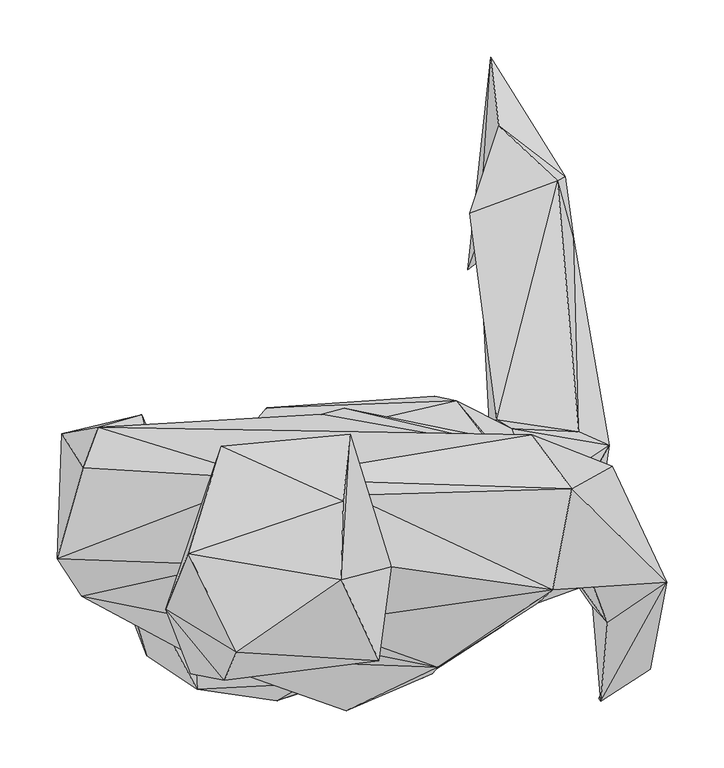
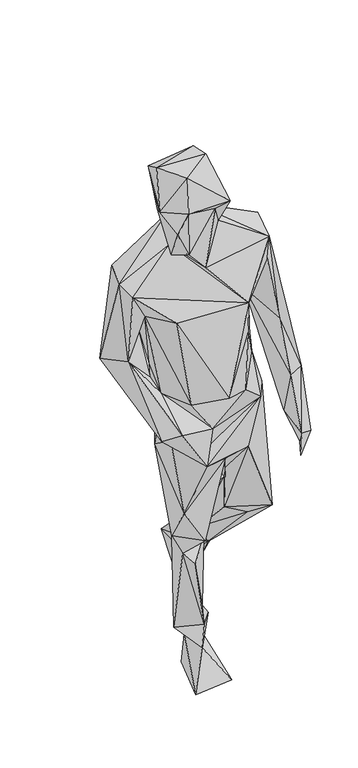
"""IFC4 building model written with IfcOpenShell, lengths in millimetres: geographic element geometry."""

from ifc_helpers import new_model, si_unit, origin, place, context, project, spatial, faceted_brep, source, transform, mapped, element, save


def geographic_element_651b3258(model_context):
    return source(origin(), model_context, "Body", "Brep", [
        faceted_brep([(-175.960198, -58.6650223, 1184.3663454), (-227.312386, -17.3104014, 1246.4934587), (-31.3321277, -5.6027104, 1055.9325218), (146.0312307, -37.4381058, 1270.5545425), (153.0849487, -23.7761401, 1360.5806828), (-79.5859918, -62.2795783, 1470.3985453), (-189.0810132, -6.3162539, 1051.0313511), (-240.3215915, -52.6816249, 1355.5748463), (-259.1258585, -22.7925275, 1047.1886396), (188.0096942, -71.1410642, 1384.2471838), (223.6300707, -51.2884185, 1069.2048073), (-6.1368714, -76.7238438, 1484.8108292), (271.4623809, -152.9165208, 917.2689319), (171.4118272, -159.5646292, 1367.8497076), (216.4826542, -95.459342, 941.1646128), (256.8367422, -229.4550091, 763.5999918), (206.7222744, -174.9068052, 814.1489029), (141.4858699, -81.5900937, 1166.8237448), (213.5846317, -257.4526072, 785.6341004), (211.7230445, -254.691124, 714.6136165), (234.9979132, -209.3223184, 725.6516814), (219.4614112, -188.6086315, 927.0800948), (206.0206831, -154.1612297, 1091.8170214), (158.5830152, -171.005249, 1311.398983), (70.8042309, -227.8206348, 1232.9689264), (29.9020484, -139.7807449, 1456.230402), (-36.5222543, -189.4377917, 1358.5157394), (-111.9406, -233.1273556, 1451.4068365), (-1.6732392, -178.0140996, 1528.0262232), (-116.764985, -137.6600564, 1429.7404289), (-116.7061925, -239.218384, 1587.2840881), (18.8162178, -221.8531668, 1571.3249445), (-145.9146291, -233.6017191, 1529.280901), (-146.8713284, -202.3702562, 1446.4459419), (-241.7646348, -165.339753, 1320.1060295), (-263.2696033, -132.5625926, 1351.1360884), (-219.0508246, -102.3466289, 1070.4594851), (-180.2384406, -121.0871115, 1213.435173), (-140.3816789, -219.7025865, 1236.7938757), (-184.5565736, -217.6845223, 874.370575), (-149.1395235, -137.5045776, 882.6540709), (-140.28202, -246.9756901, 896.4864612), (-70.3916475, -256.9373846, 778.5265446), (-138.6685818, -183.5450679, 840.2241468), (-146.0511535, -147.9336768, 973.2621312), (-45.2183187, -242.2529459, 882.0013404), (-103.4946814, -231.2936634, 971.2659717), (-158.5501283, -107.522808, 1048.6984253), (-150.3942013, -98.859638, 995.9659576), (-113.2500917, -39.9544425, 996.3456392), (-11.2911258, -0.4743668, 1027.7684927), (-79.5102566, 0.0478353, 907.2454572), (87.0223865, 6.0521625, 940.4900074), (111.4851683, -25.5570076, 1003.8517714), (-123.1490076, -72.9767457, 758.2015395), (68.0686459, 10.2397455, 821.5604424), (-54.3319397, -41.793108, 735.3323102), (15.4019725, -41.4443091, 701.4459968), (135.6908232, -18.5531229, 823.1858015), (-62.1570013, -60.623277, 543.7160134), (13.3041954, -93.840912, 432.2398305), (-33.3681144, -37.352398, 424.6270359), (122.2560853, -10.5636297, 531.9465399), (18.7653918, -196.0998476, 737.850666), (67.1647564, -112.1947169, 641.9787407), (-41.0626233, -195.3145415, 496.0870147), (-99.1665795, -186.5327954, 596.6617465), (80.7051361, -207.9320997, 761.7314458), (116.408214, -20.699732, 443.3386326), (209.6462101, -109.1482118, 470.9764719), (127.8996468, -191.3053542, 893.8285708), (157.5326324, -146.0352093, 905.5742025), (-53.2436855, -240.6275272, 832.7897191), (-102.828972, -126.4785379, 491.6293621), (-78.1499371, -94.9710235, 173.1199473), (-83.269313, -151.9877166, 444.3401992), (16.3806025, -80.2656561, 201.76135), (-39.8617573, -33.7308683, 163.7731493), (20.9428947, -55.8377579, 113.5570332), (-14.6366069, -39.4202806, 96.747905), (35.1509787, -79.6697065, 172.3745316), (-52.1913096, -162.8463417, 407.4063599), (-3.298643, -124.3339255, 173.9281714), (-15.6032797, -134.8108649, 109.5149443), (28.7838988, -212.3558819, 39.8777053), (-19.8695902, -31.9500007, 5.1243571), (-70.6965923, -196.2672621, 17.5774824), (56.8173826, -237.1205986, 966.3957357), (144.4925219, -116.3115501, 987.2120619), (65.6529665, -233.2917899, 1144.3351507), (-9.7015984, -265.7988667, 980.3577065), (149.9307901, -92.4367532, 1045.1705456), (94.8484465, -28.5417344, 1062.3553991), (156.0118645, -76.3790309, 880.1666498), (221.063897, -33.0472216, 487.0521426), (194.2003816, -21.0574996, 560.5640411), (159.2487246, 135.6130987, 224.3705094), (189.7865832, 147.7712393, 245.5745041), (186.976254, -21.0046843, 402.5669992), (109.5976681, 100.3514975, 308.1420958), (98.8028273, 170.4382002, 288.6312604), (175.7469177, 199.0606487, 290.3742492), (182.3940277, 202.6941329, 236.7349267), (160.5831236, 170.2657789, 163.8608277), (124.2591888, 247.3384291, 238.4301126), (107.5128391, 158.5939676, 238.8994992), (117.0868725, 307.3906898, 174.2719859), (172.403425, 217.0826048, 55.6364469), (97.1266031, 121.1907491, 7.3825824), (117.5761893, 176.9457906, 168.8536555), (-6.3411682, -23.1991261, 1568.4767962), (-119.4886044, -80.3055167, 1509.9613667), (-108.9140177, -40.3909385, 1543.9583063), (-14.0805217, -150.8755386, 1689.876914), (-106.0080305, -214.521423, 1682.2412014), (-148.2984275, -128.2574236, 1678.3018112), (-12.3993102, -82.0046589, 1672.4698544), (-168.0305004, -176.9079119, 1573.4208822), (-119.0311909, -34.02685, 1617.8648472)], [[[0, 1, 2]], [[1, 3, 2]], [[4, 1, 5]], [[6, 1, 0]], [[7, 5, 1]], [[7, 1, 8]], [[8, 1, 6]], [[4, 3, 1]], [[5, 9, 4]], [[10, 4, 9]], [[3, 4, 10]], [[5, 11, 9]], [[9, 12, 10]], [[9, 13, 12]], [[9, 11, 13]], [[14, 3, 10]], [[12, 14, 10]], [[14, 12, 15]], [[16, 17, 14]], [[3, 14, 17]], [[16, 14, 15]], [[18, 15, 12]], [[15, 18, 19]], [[20, 15, 19]], [[16, 15, 20]], [[17, 16, 21]], [[16, 18, 21]], [[18, 16, 20]], [[12, 21, 18]], [[18, 20, 19]], [[21, 22, 17]], [[12, 22, 21]], [[22, 23, 17]], [[22, 12, 13]], [[23, 22, 13]], [[23, 24, 17]], [[24, 23, 13]], [[13, 25, 26]], [[26, 24, 13]], [[13, 11, 25]], [[27, 26, 28]], [[25, 28, 26]], [[24, 26, 29]], [[26, 27, 29]], [[30, 27, 28]], [[28, 25, 31]], [[30, 28, 31]], [[5, 29, 27]], [[32, 33, 27]], [[33, 5, 27]], [[27, 30, 32]], [[24, 29, 34]], [[35, 29, 5]], [[34, 29, 35]], [[34, 36, 37]], [[35, 36, 34]], [[38, 24, 34]], [[37, 38, 34]], [[35, 5, 7]], [[8, 35, 7]], [[35, 8, 36]], [[36, 8, 39]], [[40, 39, 8]], [[8, 6, 40]], [[41, 39, 42]], [[41, 36, 39]], [[39, 43, 42]], [[39, 40, 43]], [[41, 44, 36]], [[45, 44, 41]], [[42, 45, 41]], [[37, 44, 46]], [[45, 46, 44]], [[37, 47, 44]], [[48, 36, 44]], [[48, 44, 47]], [[38, 37, 46]], [[37, 0, 47]], [[37, 36, 0]], [[47, 0, 2]], [[47, 2, 48]], [[0, 48, 6]], [[0, 36, 48]], [[48, 49, 40]], [[40, 6, 48]], [[49, 48, 2]], [[49, 2, 50]], [[3, 50, 2]], [[40, 49, 51]], [[51, 49, 52]], [[49, 50, 53]], [[52, 49, 53]], [[40, 51, 54]], [[40, 54, 43]], [[51, 52, 55]], [[54, 51, 55]], [[56, 54, 55]], [[57, 55, 58]], [[58, 55, 52]], [[56, 55, 57]], [[54, 56, 59]], [[60, 61, 56]], [[60, 56, 57]], [[61, 59, 56]], [[58, 62, 57]], [[57, 63, 60]], [[57, 62, 64]], [[63, 57, 64]], [[63, 65, 60]], [[42, 66, 63]], [[63, 64, 67]], [[67, 42, 63]], [[66, 65, 63]], [[64, 68, 67]], [[64, 62, 68]], [[67, 68, 69]], [[42, 67, 70]], [[71, 67, 69]], [[71, 70, 67]], [[43, 66, 42]], [[72, 42, 70]], [[42, 72, 45]], [[54, 66, 43]], [[59, 73, 54]], [[66, 54, 73]], [[73, 59, 61]], [[73, 61, 74]], [[75, 73, 74]], [[65, 73, 75]], [[73, 65, 66]], [[76, 77, 61]], [[60, 76, 61]], [[61, 77, 74]], [[78, 79, 77]], [[74, 77, 79]], [[77, 80, 78]], [[76, 80, 77]], [[81, 76, 60]], [[81, 82, 76]], [[80, 76, 82]], [[75, 60, 65]], [[75, 81, 60]], [[81, 75, 82]], [[75, 74, 82]], [[74, 83, 82]], [[80, 82, 83]], [[83, 78, 80]], [[84, 85, 78]], [[83, 84, 78]], [[78, 85, 79]], [[86, 83, 79]], [[74, 79, 83]], [[83, 86, 84]], [[86, 79, 85]], [[86, 85, 84]], [[45, 70, 87]], [[46, 45, 87]], [[45, 72, 70]], [[88, 87, 70]], [[88, 70, 71]], [[87, 88, 89]], [[90, 46, 87]], [[87, 89, 90]], [[46, 90, 38]], [[90, 24, 38]], [[90, 89, 24]], [[24, 89, 91]], [[91, 89, 88]], [[91, 17, 24]], [[91, 53, 50]], [[91, 50, 92]], [[91, 92, 17]], [[91, 88, 53]], [[3, 17, 50]], [[92, 50, 17]], [[88, 52, 53]], [[71, 52, 88]], [[71, 93, 52]], [[93, 58, 52]], [[71, 94, 93]], [[94, 71, 69]], [[94, 58, 93]], [[95, 62, 58]], [[58, 94, 95]], [[94, 69, 96]], [[94, 96, 97]], [[94, 97, 95]], [[98, 96, 69]], [[98, 69, 68]], [[98, 99, 96]], [[99, 98, 68]], [[62, 99, 68]], [[100, 96, 99]], [[99, 62, 100]], [[101, 62, 95]], [[100, 62, 101]], [[97, 101, 95]], [[102, 97, 103]], [[101, 97, 102]], [[103, 97, 96]], [[104, 100, 101]], [[102, 104, 101]], [[96, 100, 105]], [[105, 100, 104]], [[106, 105, 104]], [[102, 106, 104]], [[107, 102, 103]], [[106, 102, 107]], [[107, 103, 108]], [[103, 109, 108]], [[109, 103, 96]], [[106, 107, 108]], [[105, 106, 109]], [[109, 106, 108]], [[109, 96, 105]], [[5, 110, 11]], [[5, 33, 111]], [[110, 5, 112]], [[112, 5, 111]], [[110, 25, 11]], [[110, 113, 25]], [[25, 113, 31]], [[31, 113, 114]], [[114, 113, 115]], [[115, 113, 116]], [[110, 116, 113]], [[30, 31, 114]], [[114, 117, 30]], [[115, 117, 114]], [[115, 116, 118]], [[115, 118, 117]], [[110, 118, 116]], [[118, 112, 117]], [[118, 110, 112]], [[117, 111, 32]], [[32, 30, 117]], [[117, 112, 111]], [[111, 33, 32]]]),
    ])


if __name__ == "__main__":
    model = new_model("IFC4")
    model_context = context("Model", 3, world=origin())
    ifc_project = project(units=[si_unit("LENGTHUNIT", "METRE", prefix="MILLI")], contexts=[model_context])
    site = spatial("IfcSite", under=ifc_project)
    building = spatial("IfcBuilding", under=site)
    placement = place(None, origin())
    geographic_element_shape = geographic_element_651b3258(model_context)
    element("IfcGeographicElement", 1, at=placement, inside=building, context=model_context, shape_type="MappedRepresentation", body=[
        mapped(geographic_element_shape, transform((0.0, 0.0, 0.0), x_axis=(1.0, 0.0, 0.0), y_axis=(0.0, 1.0, 0.0), z_axis=(0.0, 0.0, 1.0))),
    ])
    save(model, "model.ifc")
